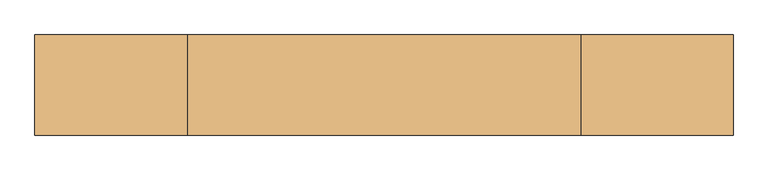
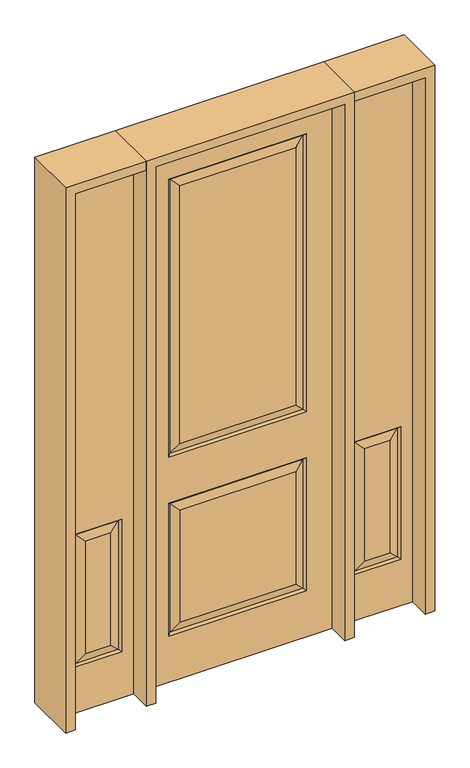
"""IFC4 building model written with IfcOpenShell, lengths in millimetres: door geometry."""

from ifc_helpers import new_model, si_unit, frame, origin, place, context, project, spatial, polyline, outline, extrude, faceted_brep, source, transform, mapped, element, save


def door_d7348b94(model_context):
    return source(origin(), model_context, "Body", "SolidModel", [
        faceted_brep([(692.6947439, 11.6572439, 218.5302561), (692.6947439, 11.6572439, 803.8197439), (701.675, 20.6375, 812.8), (701.675, 20.6375, 209.55), (507.4552561, 11.6572439, 803.8197439), (498.475, 20.6375, 812.8), (507.4552561, -11.6572439, 218.5302561), (498.475, -20.6375, 209.55), (701.675, -20.6375, 209.55), (692.6947439, -11.6572439, 218.5302561), (544.5125, -20.6375, 255.5875), (544.5125, -20.6375, 766.7625), (507.4552561, -11.6572439, 803.8197439), (692.6947439, -11.6572439, 803.8197439), (655.6375, -20.6375, 766.7625), (655.6375, -20.6375, 255.5875), (752.475, -20.6375, 0.0), (752.475, -20.6375, 2438.4), (447.675, -20.6375, 2438.4), (447.675, -20.6375, 0.0), (498.475, -20.6375, 812.8), (701.675, -20.6375, 812.8), (447.675, 20.6375, 0.0), (752.475, 20.6375, 0.0), (447.675, 20.6375, 2438.4), (752.475, 20.6375, 2438.4), (498.475, 20.6375, 209.55), (544.5125, 20.6375, 255.5875), (544.5125, 20.6375, 766.7625), (655.6375, 20.6375, 766.7625), (655.6375, 20.6375, 255.5875), (507.4552561, 11.6572439, 218.5302561)], [[[0, 1, 2, 3]], [[1, 4, 5, 2]], [[6, 7, 8, 9]], [[10, 11, 12, 6]], [[9, 13, 14, 15]], [[16, 17, 18, 19], [7, 20, 21, 8]], [[15, 14, 11, 10]], [[19, 22, 23, 16]], [[18, 24, 22, 19]], [[16, 23, 25, 17]], [[8, 21, 13, 9]], [[21, 20, 12, 13]], [[6, 12, 20, 7]], [[9, 15, 10, 6]], [[13, 12, 11, 14]], [[23, 22, 24, 25], [3, 2, 5, 26]], [[27, 28, 29, 30]], [[3, 26, 31, 0]], [[26, 5, 4, 31]], [[31, 27, 30, 0]], [[30, 29, 1, 0]], [[29, 28, 4, 1]], [[31, 4, 28, 27]], [[17, 25, 24, 18]]]),
        faceted_brep([(-692.6947439, 11.6572439, 218.5302561), (-701.675, 20.6375, 209.55), (-701.675, 20.6375, 812.8), (-692.6947439, 11.6572439, 803.8197439), (-498.475, 20.6375, 812.8), (-507.4552561, 11.6572439, 803.8197439), (-507.4552561, -11.6572439, 218.5302561), (-692.6947439, -11.6572439, 218.5302561), (-701.675, -20.6375, 209.55), (-498.475, -20.6375, 209.55), (-544.5125, -20.6375, 255.5875), (-507.4552561, -11.6572439, 803.8197439), (-544.5125, -20.6375, 766.7625), (-655.6375, -20.6375, 255.5875), (-655.6375, -20.6375, 766.7625), (-692.6947439, -11.6572439, 803.8197439), (-752.475, -20.6375, 0.0), (-447.675, -20.6375, 0.0), (-447.675, -20.6375, 2438.4), (-752.475, -20.6375, 2438.4), (-701.675, -20.6375, 812.8), (-498.475, -20.6375, 812.8), (-752.475, 20.6375, 0.0), (-447.675, 20.6375, 0.0), (-447.675, 20.6375, 2438.4), (-752.475, 20.6375, 2438.4), (-544.5125, 20.6375, 255.5875), (-655.6375, 20.6375, 255.5875), (-655.6375, 20.6375, 766.7625), (-544.5125, 20.6375, 766.7625), (-498.475, 20.6375, 209.55), (-507.4552561, 11.6572439, 218.5302561)], [[[0, 1, 2, 3]], [[3, 2, 4, 5]], [[6, 7, 8, 9]], [[10, 6, 11, 12]], [[7, 13, 14, 15]], [[16, 17, 18, 19], [9, 8, 20, 21]], [[13, 10, 12, 14]], [[17, 16, 22, 23]], [[18, 17, 23, 24]], [[16, 19, 25, 22]], [[8, 7, 15, 20]], [[20, 15, 11, 21]], [[6, 9, 21, 11]], [[7, 6, 10, 13]], [[15, 14, 12, 11]], [[26, 27, 28, 29]], [[22, 25, 24, 23], [1, 30, 4, 2]], [[1, 0, 31, 30]], [[30, 31, 5, 4]], [[31, 0, 27, 26]], [[27, 0, 3, 28]], [[28, 3, 5, 29]], [[31, 26, 29, 5]], [[19, 18, 24, 25]]]),
        faceted_brep([(-286.2947439, -11.6572439, 218.5302561), (-249.2375, -20.6375, 255.5875), (-249.2375, -20.6375, 766.7625), (-286.2947439, -11.6572439, 803.8197439), (286.2947439, 11.6572439, 803.8197439), (-286.2947439, 11.6572439, 803.8197439), (-295.275, 20.6375, 812.8), (295.275, 20.6375, 812.8), (-286.2947439, 11.6572439, 218.5302561), (-295.275, 20.6375, 209.55), (286.2947439, 11.6572439, 218.5302561), (295.275, 20.6375, 209.55), (286.2947439, -11.6572439, 1031.3302561), (-286.2947439, -11.6572439, 1031.3302561), (-295.275, -20.6375, 1022.35), (295.275, -20.6375, 1022.35), (-286.2947439, -11.6572439, 2277.0197439), (-295.275, -20.6375, 2286.0), (295.275, -20.6375, 2286.0), (286.2947439, -11.6572439, 2277.0197439), (249.2375, -20.6375, 1068.3875), (-249.2375, -20.6375, 1068.3875), (-295.275, -20.6375, 812.8), (286.2947439, -11.6572439, 803.8197439), (295.275, -20.6375, 812.8), (406.4, 20.6375, 0.0), (406.4, -20.6375, 0.0), (-406.4, -20.6375, 0.0), (-406.4, 20.6375, 0.0), (406.4, 20.6375, 2438.4), (406.4, -20.6375, 2438.4), (249.2375, -20.6375, 255.5875), (249.2375, -20.6375, 766.7625), (249.2375, -20.6375, 2239.9625), (-249.2375, -20.6375, 2239.9625), (-406.4, -20.6375, 2438.4), (295.275, -20.6375, 209.55), (-295.275, -20.6375, 209.55), (-406.4, 20.6375, 2438.4), (-249.2375, 20.6375, 766.7625), (249.2375, 20.6375, 766.7625), (249.2375, 20.6375, 255.5875), (-249.2375, 20.6375, 255.5875), (-249.2375, 20.6375, 2239.9625), (249.2375, 20.6375, 2239.9625), (249.2375, 20.6375, 1068.3875), (-249.2375, 20.6375, 1068.3875), (295.275, 20.6375, 2286.0), (-295.275, 20.6375, 2286.0), (-295.275, 20.6375, 1022.35), (295.275, 20.6375, 1022.35), (-286.2947439, 11.6572439, 2277.0197439), (-286.2947439, 11.6572439, 1031.3302561), (286.2947439, 11.6572439, 1031.3302561), (286.2947439, 11.6572439, 2277.0197439), (286.2947439, -11.6572439, 218.5302561)], [[[0, 1, 2, 3]], [[4, 5, 6, 7]], [[6, 5, 8, 9]], [[9, 8, 10, 11]], [[12, 13, 14, 15]], [[14, 13, 16, 17]], [[12, 15, 18, 19]], [[13, 12, 20, 21]], [[22, 3, 23, 24]], [[25, 26, 27, 28]], [[29, 30, 26, 25]], [[1, 31, 32, 2]], [[21, 20, 33, 34]], [[30, 35, 27, 26], [15, 14, 17, 18], [36, 37, 22, 24]], [[3, 2, 32, 23]], [[35, 38, 28, 27]], [[39, 40, 41, 42]], [[43, 44, 45, 46]], [[38, 29, 25, 28], [7, 6, 9, 11], [47, 48, 49, 50]], [[48, 51, 52, 49]], [[49, 52, 53, 50]], [[54, 47, 50, 53]], [[44, 54, 53, 45]], [[52, 46, 45, 53]], [[51, 43, 46, 52]], [[4, 7, 11, 10]], [[5, 4, 40, 39]], [[40, 4, 10, 41]], [[8, 42, 41, 10]], [[5, 39, 42, 8]], [[20, 12, 19, 33]], [[13, 21, 34, 16]], [[55, 0, 37, 36]], [[37, 0, 3, 22]], [[55, 36, 24, 23]], [[0, 55, 31, 1]], [[31, 55, 23, 32]], [[29, 38, 35, 30]], [[17, 16, 19, 18]], [[16, 34, 33, 19]], [[54, 51, 48, 47]], [[51, 54, 44, 43]]]),
        extrude(outline(polyline([(2438.4, -447.675), (2479.675, -447.675), (2479.675, -793.75), (0.0, -793.75), (0.0, -752.475), (2438.4, -752.475), (2438.4, -447.675)])), frame((0.0, -114.3, 0.0), z_axis=(0.0, 1.0, 0.0), x_axis=(0.0, 0.0, 1.0)), (0.0, 0.0, 1.0), 228.6),
        extrude(outline(polyline([(2479.675, -447.675), (0.0, -447.675), (0.0, -406.4), (2438.4, -406.4), (2438.4, 406.4), (0.0, 406.4), (0.0, 447.675), (2479.675, 447.675), (2479.675, -447.675)])), frame((0.0, -114.3, 0.0), z_axis=(0.0, 1.0, 0.0), x_axis=(0.0, 0.0, 1.0)), (0.0, 0.0, 1.0), 228.6),
        extrude(outline(polyline([(0.0, 752.475), (0.0, 793.75), (2479.675, 793.75), (2479.675, 447.675), (2438.4, 447.675), (2438.4, 752.475), (0.0, 752.475)])), frame((0.0, -114.3, 0.0), z_axis=(0.0, 1.0, 0.0), x_axis=(0.0, 0.0, 1.0)), (0.0, 0.0, 1.0), 228.6),
    ])


if __name__ == "__main__":
    model = new_model("IFC4")
    model_context = context("Model", 3, world=origin())
    ifc_project = project(units=[si_unit("LENGTHUNIT", "METRE", prefix="MILLI")], contexts=[model_context])
    site = spatial("IfcSite", under=ifc_project)
    building = spatial("IfcBuilding", under=site)
    placement = place(None, origin())
    door_shape = door_d7348b94(model_context)
    element("IfcDoor", 1, at=placement, inside=building, context=model_context, shape_type="MappedRepresentation", body=[
        mapped(door_shape, transform((0.0, 0.0, 0.0), x_axis=(1.0, 0.0, 0.0), y_axis=(0.0, 1.0, 0.0), z_axis=(0.0, 0.0, 1.0))),
    ])
    save(model, "model.ifc")
